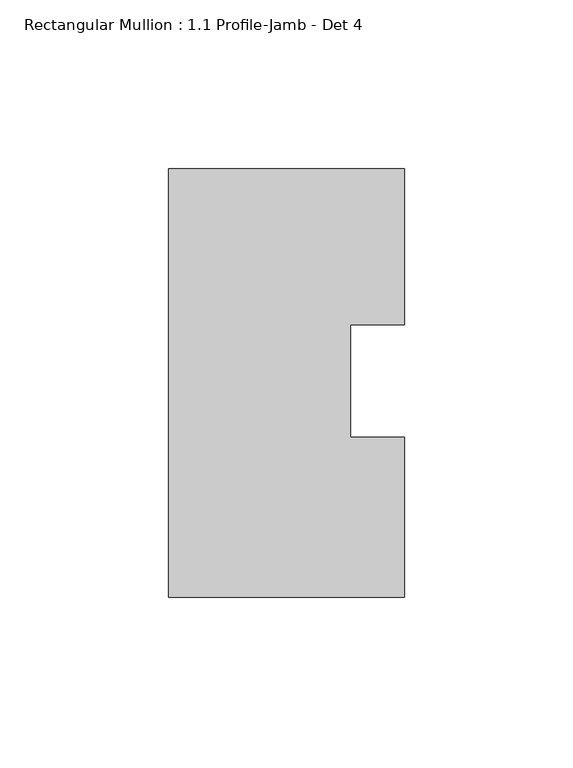
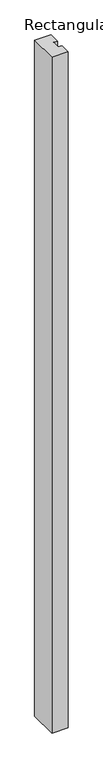
"""IFC4 building model written with IfcOpenShell, lengths in millimetres: member geometry, Rectangular Mullion : 1.1 Profile-Jamb - Det 4."""

import ifcopenshell
import ifcopenshell.guid

model = None  # the IFC model being written
_history = None  # IfcOwnerHistory: only IFC2X3 demands one
_inside = {}  # id of a spatial element -> (the spatial element, [elements in it])
_under = {}  # id of a project, library or spatial element -> (it, [spatial elements below it])
_declared = {}  # id of a project -> (the project, [libraries it declares])
_typed = {}  # id of a type object -> (the type object, [elements of that type])
_made_of = {}  # id of a material, layer set ... -> (it, [elements and type objects made of it])


def new_model(schema):
    """Start an empty IFC model of exactly this schema.

    Asked for "IFC4X3", IfcOpenShell would pick the latest addendum, in which some entities
    have other attributes; the version numbers below select the first issue.
    IFC2X3 requires an IfcOwnerHistory on every rooted entity: one is made here for all.
    """
    global model, _history
    if schema == "IFC4X3":
        model = ifcopenshell.file(schema_version=(4, 3, 0, 0))
    else:
        model = ifcopenshell.file(schema=schema)
    _inside.clear()
    _under.clear()
    _declared.clear()
    _typed.clear()
    _made_of.clear()
    _history = None
    if model.schema == "IFC2X3":
        org = make("IfcOrganization", Name="unknown")
        user = make(
            "IfcPersonAndOrganization",
            ThePerson=make("IfcPerson", FamilyName="unknown"),
            TheOrganization=org,
        )
        app = make(
            "IfcApplication",
            ApplicationDeveloper=org,
            Version="unknown",
            ApplicationFullName="unknown",
            ApplicationIdentifier="unknown",
        )
        _history = make(
            "IfcOwnerHistory",
            OwningUser=user,
            OwningApplication=app,
            ChangeAction="ADDED",
            CreationDate=0,
        )
    return model


def make(cls, **values):
    """One entity of the class cls with the attributes given. An attribute that is None is left unset."""
    return model.create_entity(
        cls, **{name: value for name, value in values.items() if value is not None}
    )


def rooted(cls, **values):
    """An entity with a GlobalId (a new one), such as an element, a storey or a relation."""
    return make(cls, GlobalId=ifcopenshell.guid.new(), OwnerHistory=_history, **values)


def si_unit(unit_type, name, prefix=None):
    """IfcSIUnit, for example si_unit("LENGTHUNIT", "METRE", prefix="MILLI")."""
    return make("IfcSIUnit", UnitType=unit_type, Prefix=prefix, Name=name)


def assignment(units):
    """IfcUnitAssignment: the units of a project."""
    return None if units is None else make("IfcUnitAssignment", Units=units)


def point(xyz):
    """IfcCartesianPoint."""
    return None if xyz is None else make("IfcCartesianPoint", Coordinates=xyz)


def direction(xyz):
    """IfcDirection."""
    return None if xyz is None else make("IfcDirection", DirectionRatios=xyz)


def frame(location, z_axis=None, x_axis=None):
    """IfcAxis2Placement3D, a coordinate frame: its origin and axes. An axis left out is left unset."""
    return make(
        "IfcAxis2Placement3D",
        Location=point(location),
        Axis=direction(z_axis),
        RefDirection=direction(x_axis),
    )


def origin():
    """The frame at (0, 0, 0) with its axes left unset."""
    return frame((0.0, 0.0, 0.0))


def place(relative_to, where):
    """IfcLocalPlacement: puts the frame where relative to a parent placement (None: the world)."""
    return make(
        "IfcLocalPlacement", PlacementRelTo=relative_to, RelativePlacement=where
    )


def context(
    kind, dimensions, precision=None, world=None, true_north=None, identifier=None
):
    """IfcGeometricRepresentationContext, for example the 3D "Model" context."""
    return make(
        "IfcGeometricRepresentationContext",
        ContextIdentifier=identifier,
        ContextType=kind,
        CoordinateSpaceDimension=dimensions,
        Precision=precision,
        WorldCoordinateSystem=world,
        TrueNorth=true_north,
    )


def project(units=None, contexts=None):
    """IfcProject with its units and contexts."""
    return rooted(
        "IfcProject",
        Name="project",
        RepresentationContexts=contexts,
        UnitsInContext=assignment(units),
    )


def spatial(cls, under=None, at=None, **own):
    """A site, building, storey or space (cls), placed at a placement, below another one or the project."""
    s = rooted(cls, ObjectPlacement=at, **own)
    if under is not None:
        _under.setdefault(under.id(), (under, []))[1].append(s)
    return s


def polyline(points):
    """IfcPolyline through the points."""
    return make("IfcPolyline", Points=[point(p) for p in points])


def outline(outer, holes=None, kind="AREA"):
    """IfcArbitraryClosedProfileDef: a profile drawn as a closed curve; with holes, ...WithVoids."""
    if holes is None:
        return make("IfcArbitraryClosedProfileDef", ProfileType=kind, OuterCurve=outer)
    return make(
        "IfcArbitraryProfileDefWithVoids",
        ProfileType=kind,
        OuterCurve=outer,
        InnerCurves=holes,
    )


def extrude(swept, where, along, depth):
    """IfcExtrudedAreaSolid: the profile swept, set in the frame where, extruded along a direction by depth."""
    return make(
        "IfcExtrudedAreaSolid",
        SweptArea=swept,
        Position=where,
        ExtrudedDirection=direction(along),
        Depth=depth,
    )


def shape(context_of_items, identifier, shape_type, items):
    """IfcShapeRepresentation: the items that make up one representation, for example the "Body"."""
    return make(
        "IfcShapeRepresentation",
        ContextOfItems=context_of_items,
        RepresentationIdentifier=identifier,
        RepresentationType=shape_type,
        Items=items,
    )


def source(mapping_origin, context_of_items, identifier, shape_type, items):
    """IfcRepresentationMap: a shape defined once, which mapped items show again and again."""
    return make(
        "IfcRepresentationMap",
        MappingOrigin=mapping_origin,
        MappedRepresentation=shape(context_of_items, identifier, shape_type, items),
    )


def transform(
    local_origin,
    x_axis=None,
    y_axis=None,
    z_axis=None,
    scale=None,
    scale2=None,
    scale3=None,
    uniform=True,
):
    """IfcCartesianTransformationOperator3D, or its non-uniform kind. x_axis, y_axis, z_axis: its Axis1, 2, 3."""
    if uniform:
        return make(
            "IfcCartesianTransformationOperator3D",
            Axis1=direction(x_axis),
            Axis2=direction(y_axis),
            LocalOrigin=point(local_origin),
            Scale=scale,
            Axis3=direction(z_axis),
        )
    return make(
        "IfcCartesianTransformationOperator3DnonUniform",
        Axis1=direction(x_axis),
        Axis2=direction(y_axis),
        LocalOrigin=point(local_origin),
        Scale=scale,
        Axis3=direction(z_axis),
        Scale2=scale2,
        Scale3=scale3,
    )


def mapped(mapping_source, mapping_target):
    """IfcMappedItem: shows the shape of a source again, moved by a transform."""
    return make(
        "IfcMappedItem", MappingSource=mapping_source, MappingTarget=mapping_target
    )


def made_of(thing, what):
    """Note that an element or type object is made of a material, layer set ...; save() writes the relation."""
    if what is not None:
        _made_of.setdefault(what.id(), (what, []))[1].append(thing)
    return thing


def element(
    cls,
    number,
    at=None,
    inside=None,
    cuts=None,
    type_object=None,
    material=None,
    context=None,
    identifier="Body",
    shape_type=None,
    held_by="IfcProductDefinitionShape",
    body=None,
    shapes=None,
    **own,
):
    """One element of the class cls, such as IfcWall. Its Tag is "e" and its number.

    at: its placement. inside: the storey or other place that contains it. cuts: it is an
    opening in that element (IfcRelVoidsElement). A single representation is given by context,
    identifier, shape_type and body (its items); several are given by shapes. held_by: the class
    of the entity that holds the representations. save() writes the other relations.
    """
    e = rooted(cls, Tag="e%d" % number, ObjectPlacement=at, **own)
    if body is not None:
        shapes = [shape(context, identifier, shape_type, body)]
    if shapes is not None:
        e.Representation = make(held_by, Representations=shapes)
    if inside is not None:
        _inside.setdefault(inside.id(), (inside, []))[1].append(e)
    if cuts is not None:
        rooted(
            "IfcRelVoidsElement", RelatingBuildingElement=cuts, RelatedOpeningElement=e
        )
    if type_object is not None:
        _typed.setdefault(type_object.id(), (type_object, []))[1].append(e)
    return made_of(e, material)


def aggregate(whole, parts):
    """IfcRelAggregates: a whole, such as a stair, and the parts it consists of."""
    return rooted("IfcRelAggregates", RelatingObject=whole, RelatedObjects=parts)


def save(model, path):
    """Write the relations noted so far, then the file.

    IfcRelAggregates (storeys below a building ...), IfcRelContainedInSpatialStructure (elements
    in a storey), IfcRelDefinesByType, IfcRelAssociatesMaterial and IfcRelDeclares: one each for
    every whole, place, type object, material and project.
    """
    for whole, parts in _under.values():
        aggregate(whole, parts)
    for where, things in _inside.values():
        rooted(
            "IfcRelContainedInSpatialStructure",
            RelatedElements=things,
            RelatingStructure=where,
        )
    for kind, things in _typed.values():
        rooted("IfcRelDefinesByType", RelatedObjects=things, RelatingType=kind)
    for what, things in _made_of.values():
        rooted("IfcRelAssociatesMaterial", RelatedObjects=things, RelatingMaterial=what)
    for by, libraries in _declared.values():
        rooted("IfcRelDeclares", RelatingContext=by, RelatedDefinitions=libraries)
    model.write(path)


def rectangular_mullion_1_1_profile_jamb_det_4_e42c7bc0(model_context):
    return source(origin(), model_context, "Body", "SweptSolid", [
        extrude(outline(polyline([(-69.85, 63.5), (0.0, 63.5), (0.0, 17.2942564), (-15.875, 17.2942564), (-15.875, -16.0388461), (0.0, -16.0388461), (0.0, -63.5), (-69.85, -63.5), (-69.85, 63.5)])), frame((0.0, 0.0, -3048.0), z_axis=(0.0, 0.0, 1.0), x_axis=(1.0, 0.0, 0.0)), (0.0, 0.0, 1.0), 3048.0),
    ])


if __name__ == "__main__":
    model = new_model("IFC4")
    model_context = context("Model", 3, world=origin())
    ifc_project = project(units=[si_unit("LENGTHUNIT", "METRE", prefix="MILLI")], contexts=[model_context])
    site = spatial("IfcSite", under=ifc_project)
    building = spatial("IfcBuilding", under=site)
    placement = place(None, origin())
    rectangular_mullion_1_1_profile_jamb_det_4_shape = rectangular_mullion_1_1_profile_jamb_det_4_e42c7bc0(model_context)
    element("IfcMember", 1, ObjectType="Rectangular Mullion : 1.1 Profile-Jamb - Det 4", at=placement, inside=building, context=model_context, shape_type="MappedRepresentation", body=[
        mapped(rectangular_mullion_1_1_profile_jamb_det_4_shape, transform((0.0, 0.0, 0.0), x_axis=(1.0, 0.0, 0.0), y_axis=(0.0, 1.0, 0.0), z_axis=(0.0, 0.0, 1.0))),
    ])
    save(model, "model.ifc")
